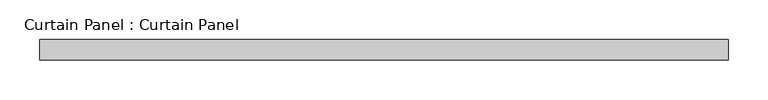
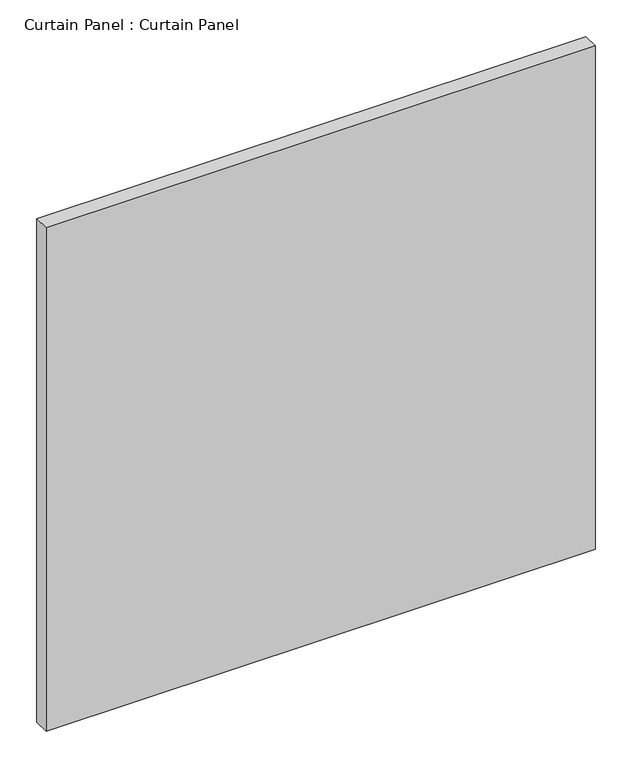
"""IFC4 building model written with IfcOpenShell, lengths in millimetres: plate geometry, Curtain Panel : Curtain Panel."""

from ifc_helpers import new_model, si_unit, frame, origin, place, context, project, spatial, polyline, outline, extrude, source, transform, mapped, element, save


def curtain_panel_curtain_panel_cd8b17ba(model_context):
    return source(origin(), model_context, "Body", "SweptSolid", [
        extrude(outline(polyline([(-12718.6613952, 2085.8025004), (-13582.451013, 2085.8025004), (-13582.451013, 2111.2025004), (-12718.6613952, 2111.2025004), (-12718.6613952, 2085.8025004)])), frame((0.0, 0.0, 1487.1701164), z_axis=(0.0, 0.0, 1.0), x_axis=(1.0, 0.0, 0.0)), (0.0, 0.0, 1.0), 837.0462759),
    ])


if __name__ == "__main__":
    model = new_model("IFC4")
    model_context = context("Model", 3, world=origin())
    ifc_project = project(units=[si_unit("LENGTHUNIT", "METRE", prefix="MILLI")], contexts=[model_context])
    site = spatial("IfcSite", under=ifc_project)
    building = spatial("IfcBuilding", under=site)
    placement = place(None, origin())
    curtain_panel_curtain_panel_shape = curtain_panel_curtain_panel_cd8b17ba(model_context)
    element("IfcPlate", 1, ObjectType="Curtain Panel : Curtain Panel", at=placement, inside=building, context=model_context, shape_type="MappedRepresentation", body=[
        mapped(curtain_panel_curtain_panel_shape, transform((0.0, 0.0, 0.0), x_axis=(1.0, 0.0, 0.0), y_axis=(0.0, 1.0, 0.0), z_axis=(0.0, 0.0, 1.0))),
    ])
    save(model, "model.ifc")
